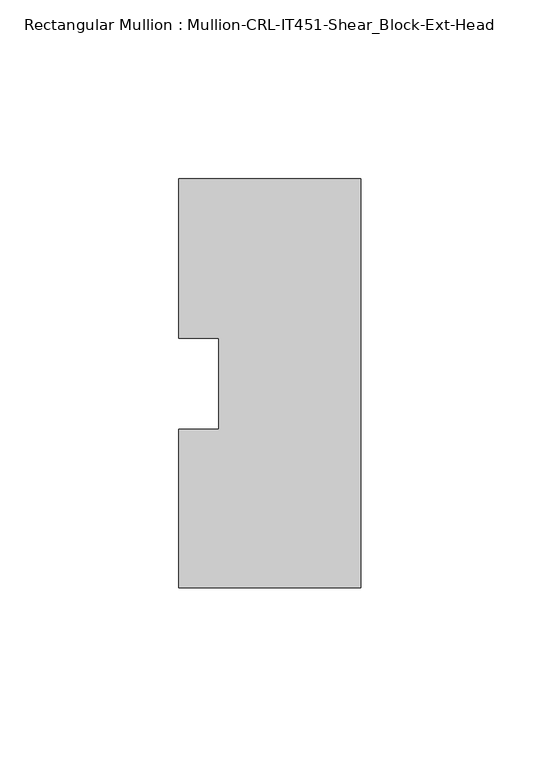
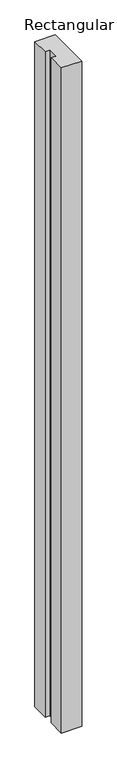
"""IFC4 building model written with IfcOpenShell, lengths in millimetres: member geometry, Rectangular Mullion : Mullion-CRL-IT451-Shear_Block-Ext-Head."""

from ifc_helpers import new_model, si_unit, frame, origin, place, context, project, spatial, polyline, outline, extrude, source, transform, mapped, element, save


def rectangular_mullion_mullion_crl_it451_shear_block_ext_head_52bf9435(model_context):
    return source(origin(), model_context, "Body", "SweptSolid", [
        extrude(outline(polyline([(0.0, 57.1909821), (0.0, -57.1090179), (-50.8, -57.1090179), (-50.8, -12.7), (-39.6875, -12.7), (-39.6875, 12.7), (-50.8, 12.7), (-50.8, 57.1909821), (0.0, 57.1909821)])), frame((0.0, 0.0, -1752.6), z_axis=(0.0, 0.0, 1.0), x_axis=(1.0, 0.0, 0.0)), (0.0, 0.0, 1.0), 1752.6),
    ])


if __name__ == "__main__":
    model = new_model("IFC4")
    model_context = context("Model", 3, world=origin())
    ifc_project = project(units=[si_unit("LENGTHUNIT", "METRE", prefix="MILLI")], contexts=[model_context])
    site = spatial("IfcSite", under=ifc_project)
    building = spatial("IfcBuilding", under=site)
    placement = place(None, origin())
    rectangular_mullion_mullion_crl_it451_shear_block_ext_head_shape = rectangular_mullion_mullion_crl_it451_shear_block_ext_head_52bf9435(model_context)
    element("IfcMember", 1, ObjectType="Rectangular Mullion : Mullion-CRL-IT451-Shear_Block-Ext-Head", at=placement, inside=building, context=model_context, shape_type="MappedRepresentation", body=[
        mapped(rectangular_mullion_mullion_crl_it451_shear_block_ext_head_shape, transform((0.0, 0.0, 0.0), x_axis=(1.0, 0.0, 0.0), y_axis=(0.0, 1.0, 0.0), z_axis=(0.0, 0.0, 1.0))),
    ])
    save(model, "model.ifc")
